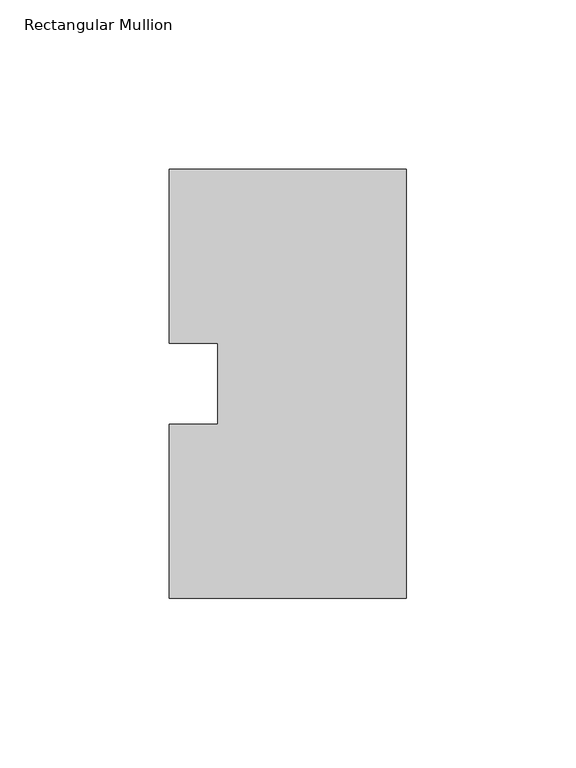
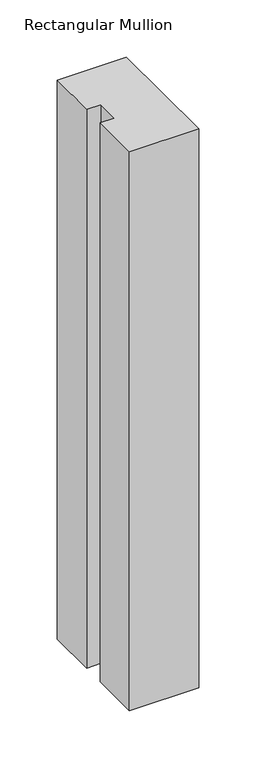
"""IFC4 building model written with IfcOpenShell, lengths in millimetres: member geometry, Rectangular Mullion."""

from ifc_helpers import new_model, si_unit, frame, origin, place, context, project, spatial, polyline, outline, extrude, source, transform, mapped, element, save


def rectangular_mullion_7582217c(model_context):
    return source(origin(), model_context, "Body", "SweptSolid", [
        extrude(outline(polyline([(0.0, 126.75235), (0.0, 0.26035), (-69.85, 0.26035), (-69.85, 51.60645), (-55.5625, 51.60645), (-55.5625, 75.40625), (-69.85, 75.40625), (-69.85, 126.75235), (0.0, 126.75235)])), frame((0.0, 0.0, -596.9063827), z_axis=(0.0, 0.0, 1.0), x_axis=(1.0, 0.0, 0.0)), (0.0, 0.0, 1.0), 596.9063827),
    ])


if __name__ == "__main__":
    model = new_model("IFC4")
    model_context = context("Model", 3, world=origin())
    ifc_project = project(units=[si_unit("LENGTHUNIT", "METRE", prefix="MILLI")], contexts=[model_context])
    site = spatial("IfcSite", under=ifc_project)
    building = spatial("IfcBuilding", under=site)
    placement = place(None, origin())
    rectangular_mullion_shape = rectangular_mullion_7582217c(model_context)
    element("IfcMember", 1, ObjectType="Rectangular Mullion", at=placement, inside=building, context=model_context, shape_type="MappedRepresentation", body=[
        mapped(rectangular_mullion_shape, transform((0.0, 0.0, 0.0), x_axis=(1.0, 0.0, 0.0), y_axis=(0.0, 1.0, 0.0), z_axis=(0.0, 0.0, 1.0))),
    ])
    save(model, "model.ifc")
